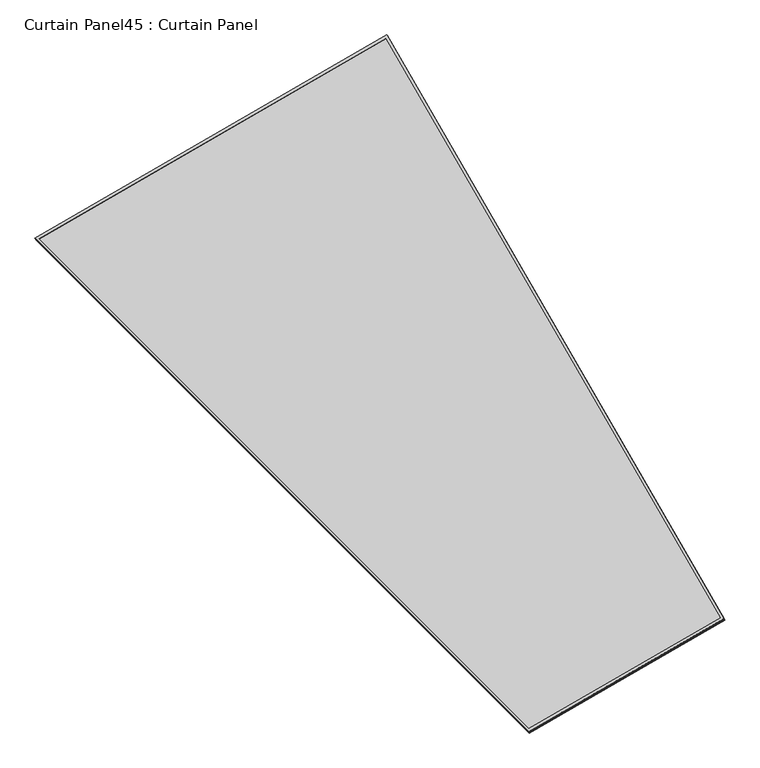
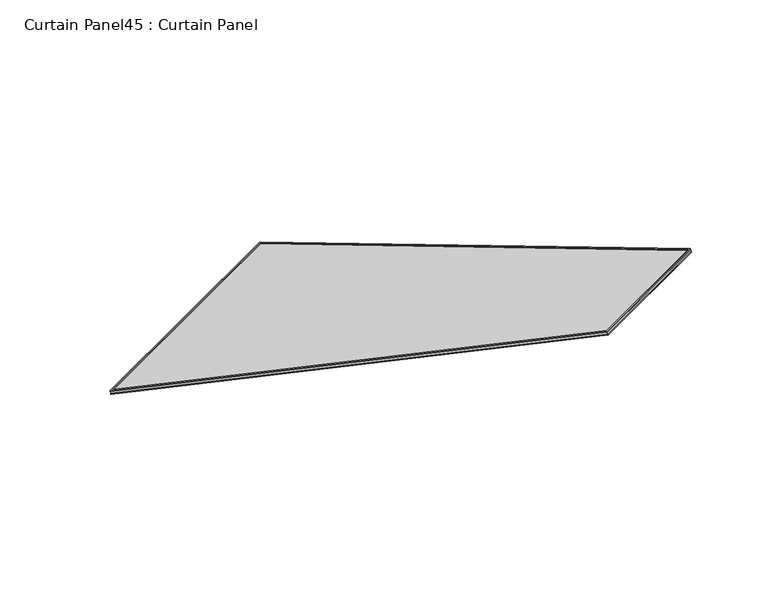
"""IFC4 building model written with IfcOpenShell, lengths in millimetres: plate geometry, Curtain Panel45 : Curtain Panel."""

from ifc_helpers import new_model, si_unit, frame, origin, place, context, project, spatial, polyline, outline, extrude, source, transform, mapped, element, save


def curtain_panel45_curtain_panel_79d84026(model_context):
    return source(origin(), model_context, "Body", "SweptSolid", [
        extrude(outline(polyline([(1625.9225981, -2842.276264), (722.5243658, -2842.276264), (0.0, 0.0), (1625.9225981, 1e-07), (1625.9225981, -2842.276264)]), holes=[polyline([(1614.8100981, -11.1125), (14.2907959, -11.1125), (731.165428, -2831.163764), (1614.8100981, -2831.163764), (1614.8100981, -11.1125)])]), frame((5435.6781864, 8205.1317433, -25.8753228), z_axis=(-0.15807291198690038, 0.2737903148616826, 0.9487106081329133), x_axis=(0.8660254037844449, 0.49999999999998934, 0.0)), (0.0, 0.0, 1.0), 4.613255),
        extrude(outline(polyline([(1625.9225981, -2842.2762641), (722.5243658, -2842.276264), (0.0, 0.0), (1625.9225981, -1e-07), (1625.9225981, -2842.2762641)]), holes=[polyline([(1614.8100981, -11.1125001), (14.2907959, -11.1125), (731.165428, -2831.163764), (1614.8100981, -2831.1637641), (1614.8100981, -11.1125001)])]), frame((5432.8991556, 8209.9451658, -9.1963364), z_axis=(-0.1580729119868999, 0.2737903148616816, 0.9487106081329139), x_axis=(0.8660254037844446, 0.4999999999999897, 0.0)), (0.0, 0.0, 1.0), 4.8881242),
        extrude(outline(polyline([(25.6727144, 0.0), (1651.5953125, 0.0), (1651.5953125, -2842.276264), (748.1970802, -2842.276264), (25.6727144, 0.0)])), frame((5412.7157329, 8193.5584506, -21.4986789), z_axis=(-0.15807291198689916, 0.2737903148616805, 0.9487106081329142), x_axis=(0.8660254037844449, 0.49999999999998923, 0.0)), (0.0, 0.0, 1.0), 12.9674343),
    ])


if __name__ == "__main__":
    model = new_model("IFC4")
    model_context = context("Model", 3, world=origin())
    ifc_project = project(units=[si_unit("LENGTHUNIT", "METRE", prefix="MILLI")], contexts=[model_context])
    site = spatial("IfcSite", under=ifc_project)
    building = spatial("IfcBuilding", under=site)
    placement = place(None, origin())
    curtain_panel45_curtain_panel_shape = curtain_panel45_curtain_panel_79d84026(model_context)
    element("IfcPlate", 1, ObjectType="Curtain Panel45 : Curtain Panel", at=placement, inside=building, context=model_context, shape_type="MappedRepresentation", body=[
        mapped(curtain_panel45_curtain_panel_shape, transform((0.0, 0.0, 0.0), x_axis=(1.0, 0.0, 0.0), y_axis=(0.0, 1.0, 0.0), z_axis=(0.0, 0.0, 1.0))),
    ])
    save(model, "model.ifc")
